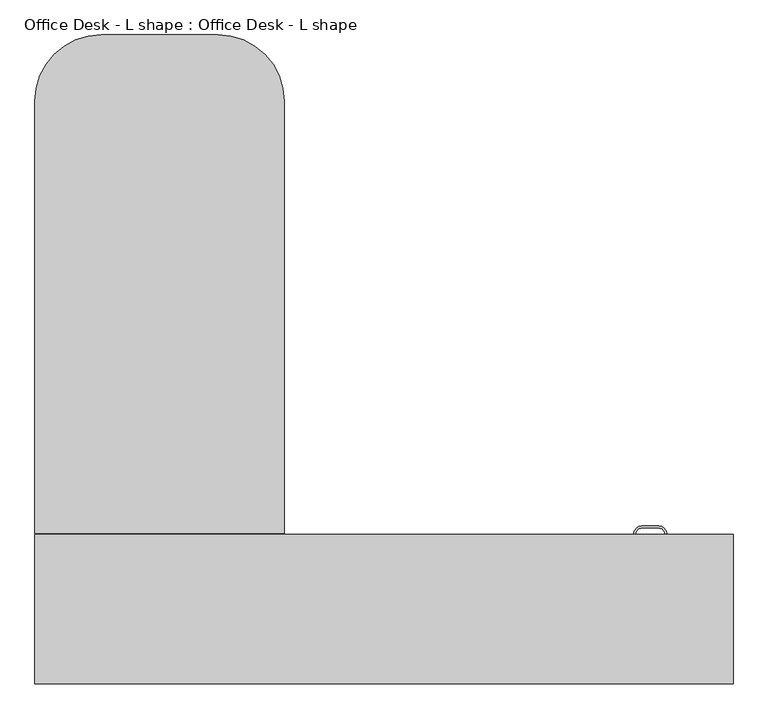
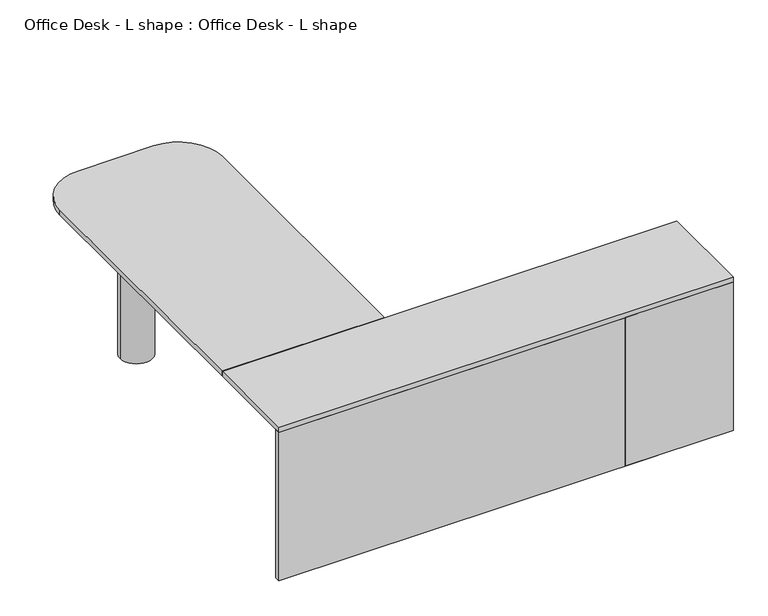
"""IFC4 building model written with IfcOpenShell, lengths in millimetres: furniture geometry, Office Desk - L shape : Office Desk - L shape."""

from ifc_helpers import new_model, si_unit, point, frame, frame_2d, origin, origin_with_axes, place, context, project, spatial, polyline, circle_curve, trimmed, segment, composite_curve, outline, extrude, faceted_brep, source, transform, mapped, element, save


def office_desk_l_shape_office_desk_l_shape_897fd358(model_context):
    return source(origin(), model_context, "Body", "SolidModel", [
        extrude(outline(polyline([(-674.852173, 0.0), (-674.852173, 609.6), (-370.052173, 609.6), (-370.052173, 0.0), (-674.852173, 0.0)])), frame((0.0, 0.0, 695.6494184), z_axis=(0.0, 0.0, 1.0), x_axis=(1.0, 0.0, 0.0)), (0.0, 0.0, 1.0), 38.1),
        extrude(outline(composite_curve([segment(trimmed(circle_curve(frame_2d((773.7196372, -163.0578213)), 25.4), [point((773.7196372, -137.6578213))], [point((799.1196372, -163.0578213))], False, "CARTESIAN"), True, "CONTINUOUS"), segment(polyline([(799.1196372, -163.0578213), (792.7696372, -163.0578213)]), True, "CONTINUOUS"), segment(trimmed(circle_curve(frame_2d((773.7196372, -163.0578213)), 19.05), [point((792.7696372, -163.0578213))], [point((773.7196372, -144.0078213))], True, "CARTESIAN"), True, "CONTINUOUS"), segment(polyline([(773.7196372, -144.0078213), (722.9196372, -144.0078213)]), True, "CONTINUOUS"), segment(trimmed(circle_curve(frame_2d((722.9196372, -163.0578213)), 19.05), [point((722.9196372, -144.0078213))], [point((703.8696372, -163.0578213))], True, "CARTESIAN"), True, "CONTINUOUS"), segment(polyline([(703.8696372, -163.0578213), (697.5196372, -163.0578213)]), True, "CONTINUOUS"), segment(trimmed(circle_curve(frame_2d((722.9196372, -163.0578213)), 25.4), [point((697.5196372, -163.0578213))], [point((722.9196372, -137.6578213))], False, "CARTESIAN"), True, "CONTINUOUS"), segment(polyline([(722.9196372, -137.6578213), (773.7196372, -137.6578213)]), True, "CONTINUOUS")], self_intersect=False)), frame((0.0, 0.0, 266.9011355), z_axis=(0.0, 0.0, 1.0), x_axis=(1.0, 0.0, 0.0)), (0.0, 0.0, 1.0), 25.0236577),
        extrude(outline(composite_curve([segment(trimmed(circle_curve(frame_2d((773.7196372, -163.0578213)), 25.4), [point((773.7196372, -137.6578213))], [point((799.1196372, -163.0578213))], False, "CARTESIAN"), True, "CONTINUOUS"), segment(polyline([(799.1196372, -163.0578213), (792.7696372, -163.0578213)]), True, "CONTINUOUS"), segment(trimmed(circle_curve(frame_2d((773.7196372, -163.0578213)), 19.05), [point((792.7696372, -163.0578213))], [point((773.7196372, -144.0078213))], True, "CARTESIAN"), True, "CONTINUOUS"), segment(polyline([(773.7196372, -144.0078213), (722.9196372, -144.0078213)]), True, "CONTINUOUS"), segment(trimmed(circle_curve(frame_2d((722.9196372, -163.0578213)), 19.05), [point((722.9196372, -144.0078213))], [point((703.8696372, -163.0578213))], True, "CARTESIAN"), True, "CONTINUOUS"), segment(polyline([(703.8696372, -163.0578213), (697.5196372, -163.0578213)]), True, "CONTINUOUS"), segment(trimmed(circle_curve(frame_2d((722.9196372, -163.0578213)), 25.4), [point((697.5196372, -163.0578213))], [point((722.9196372, -137.6578213))], False, "CARTESIAN"), True, "CONTINUOUS"), segment(polyline([(722.9196372, -137.6578213), (773.7196372, -137.6578213)]), True, "CONTINUOUS")], self_intersect=False)), frame((0.0, 0.0, 636.0613784), z_axis=(0.0, 0.0, 1.0), x_axis=(1.0, 0.0, 0.0)), (0.0, 0.0, 1.0), 25.6830473),
        extrude(outline(polyline([(972.972827, -163.0578213), (972.972827, -188.4578213), (523.6664474, -188.4578213), (523.6664474, -163.0578213), (972.972827, -163.0578213)])), frame((0.0, 0.0, 369.4553677), z_axis=(0.0, 0.0, 1.0), x_axis=(1.0, 0.0, 0.0)), (0.0, 0.0, 1.0), 364.2940507),
        extrude(outline(polyline([(972.972827, -163.0578213), (972.972827, -188.4578213), (523.6664474, -188.4578213), (523.6664474, -163.0578213), (972.972827, -163.0578213)])), frame((0.0, 0.0, 27.6218343), z_axis=(0.0, 0.0, 1.0), x_axis=(1.0, 0.0, 0.0)), (0.0, 0.0, 1.0), 338.6585333),
        faceted_brep([(495.0914474, -620.2578213, 736.9244184), (1001.547827, -620.2578213, 736.9244184), (1001.547827, -163.0578213, 736.9244184), (976.147827, -163.0578213, 736.9244184), (976.147827, -594.8578213, 736.9244184), (520.4914474, -594.8578213, 736.9244184), (520.4914474, -163.0578213, 736.9244184), (495.0914474, -163.0578213, 736.9244184), (495.0914474, -620.2578213, 0.0), (495.0914474, -163.0578213, 0.0), (1001.547827, -163.0578213, 0.0), (1001.547827, -620.2578213, 0.0), (520.4914474, -163.0578213, 24.4468343), (976.147827, -163.0578213, 24.4468343), (520.4914474, -594.8578213, 24.4468343), (976.147827, -594.8578213, 24.4468343)], [[[0, 1, 2, 3, 4, 5, 6, 7]], [[8, 9, 10, 11]], [[7, 9, 8, 0]], [[9, 7, 6, 12, 13, 3, 2, 10]], [[1, 11, 10, 2]], [[0, 8, 11, 1]], [[14, 15, 13, 12]], [[12, 6, 5, 14]], [[15, 4, 3, 13]], [[14, 5, 4, 15]]]),
        extrude(outline(polyline([(1001.547827, -620.2578213), (-1132.052173, -620.2578213), (-1132.052173, -163.0578213), (1001.547827, -163.0578213), (1001.547827, -620.2578213)])), frame((0.0, 0.0, 736.9244184), z_axis=(0.0, 0.0, 1.0), x_axis=(1.0, 0.0, 0.0)), (0.0, 0.0, 1.0), 25.0755816),
        extrude(outline(polyline([(-1132.052173, -620.2578213), (-1132.052173, -594.8578213), (647.4914474, -594.8578213), (647.4914474, -620.2578213), (-1132.052173, -620.2578213)])), origin_with_axes(), (0.0, 0.0, 1.0), 736.9244184),
        extrude(outline(polyline([(-814.266761, 992.0440149), (-814.266761, -594.8578213), (-839.666761, -594.8578213), (-839.666761, 992.0440149), (-814.266761, 992.0440149)])), frame((0.0, 0.0, 355.9495182), z_axis=(0.0, 0.0, 1.0), x_axis=(1.0, 0.0, 0.0)), (0.0, 0.0, 1.0), 380.9749002),
        extrude(outline(composite_curve([segment(trimmed(circle_curve(frame_2d((-826.966761, 1068.2440149)), 76.2), [point((-903.166761, 1068.2440149))], [point((-750.766761, 1068.2440149))], False, "CARTESIAN"), True, "CONTINUOUS"), segment(trimmed(circle_curve(frame_2d((-826.966761, 1068.2440149)), 76.2), [point((-750.766761, 1068.2440149))], [point((-903.166761, 1068.2440149))], False, "CARTESIAN"), True, "CONTINUOUS")], self_intersect=False)), origin_with_axes(), (0.0, 0.0, 1.0), 736.9244184),
        extrude(outline(composite_curve([segment(polyline([(-370.052173, -159.8828213), (-1132.052173, -159.8828213), (-1132.052173, 1160.9171787)]), True, "CONTINUOUS"), segment(trimmed(circle_curve(frame_2d((-928.852173, 1160.9171787)), 203.2), [point((-1132.052173, 1160.9171787))], [point((-928.852173, 1364.1171787))], False, "CARTESIAN"), True, "CONTINUOUS"), segment(polyline([(-928.852173, 1364.1171787), (-573.252173, 1364.1171787)]), True, "CONTINUOUS"), segment(trimmed(circle_curve(frame_2d((-573.252173, 1160.9171787)), 203.2), [point((-573.252173, 1364.1171787))], [point((-370.052173, 1160.9171787))], False, "CARTESIAN"), True, "CONTINUOUS"), segment(polyline([(-370.052173, 1160.9171787), (-370.052173, -159.8828213)]), True, "CONTINUOUS")], self_intersect=False)), frame((0.0, 0.0, 736.9244184), z_axis=(0.0, 0.0, 1.0), x_axis=(1.0, 0.0, 0.0)), (0.0, 0.0, 1.0), 25.0755816),
    ])


if __name__ == "__main__":
    model = new_model("IFC4")
    model_context = context("Model", 3, world=origin())
    ifc_project = project(units=[si_unit("LENGTHUNIT", "METRE", prefix="MILLI")], contexts=[model_context])
    site = spatial("IfcSite", under=ifc_project)
    building = spatial("IfcBuilding", under=site)
    placement = place(None, origin())
    office_desk_l_shape_office_desk_l_shape_shape = office_desk_l_shape_office_desk_l_shape_897fd358(model_context)
    element("IfcFurniture", 1, ObjectType="Office Desk - L shape : Office Desk - L shape", at=placement, inside=building, context=model_context, shape_type="MappedRepresentation", body=[
        mapped(office_desk_l_shape_office_desk_l_shape_shape, transform((0.0, 0.0, 0.0), x_axis=(1.0, 0.0, 0.0), y_axis=(0.0, 1.0, 0.0), z_axis=(0.0, 0.0, 1.0))),
    ])
    save(model, "model.ifc")
